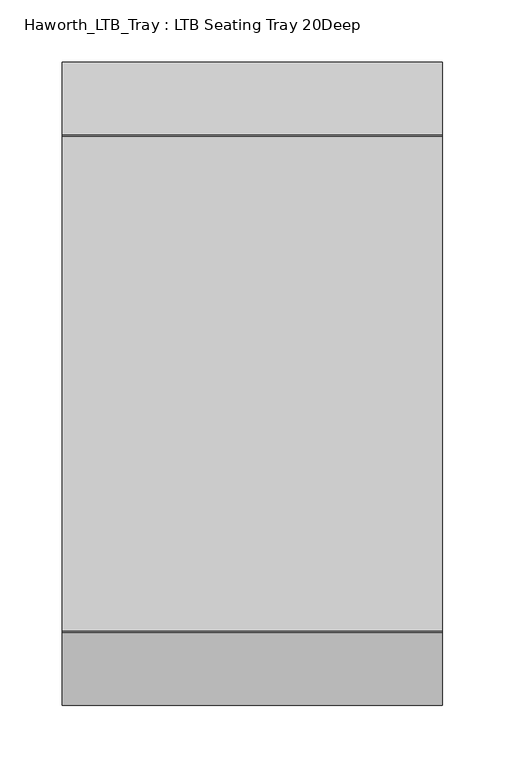
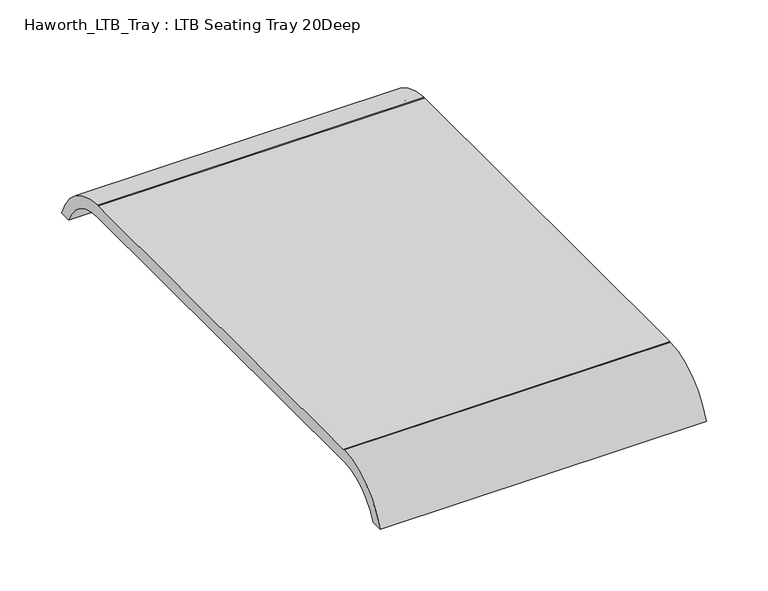
"""IFC4 building model written with IfcOpenShell, lengths in millimetres: furniture geometry, Haworth_LTB_Tray : LTB Seating Tray 20Deep."""

from ifc_helpers import new_model, si_unit, point, frame, frame_2d, origin, place, context, project, spatial, polyline, circle_curve, trimmed, segment, composite_curve, outline, extrude, source, transform, mapped, element, save


def haworth_ltb_tray_ltb_seating_tray_20deep_73af86ab(model_context):
    return source(origin(), model_context, "Body", "SweptSolid", [
        extrude(outline(composite_curve([segment(polyline([(200.0364582, 425.0000032), (-200.0364582, 425.0000032)]), True, "CONTINUOUS"), segment(trimmed(circle_curve(frame_2d((-200.0364582, 375.0527771)), 49.9472261), [point((-200.0364582, 425.0000032))], [point((-246.2503946, 394.0000059))], True, "CARTESIAN"), True, "CONTINUOUS"), segment(polyline([(-246.2503946, 394.0000059), (-257.7464189, 394.0000059)]), True, "CONTINUOUS"), segment(trimmed(circle_curve(frame_2d((-197.9151522, 373.8823502)), 63.1229004), [point((-257.7464189, 394.0000059))], [point((-199.7580648, 436.9783423))], False, "CARTESIAN"), True, "CONTINUOUS"), segment(trimmed(circle_curve(frame_2d((-198.274927, 386.1999975)), 50.8), [point((-199.7580648, 436.9783423))], [point((-198.274927, 436.9999975))], False, "CARTESIAN"), True, "CONTINUOUS"), segment(polyline([(-198.274927, 436.9999975), (198.274927, 436.9999975)]), True, "CONTINUOUS"), segment(trimmed(circle_curve(frame_2d((198.274927, 386.1999975)), 50.8), [point((198.274927, 436.9999975))], [point((199.7580648, 436.9783423))], False, "CARTESIAN"), True, "CONTINUOUS"), segment(trimmed(circle_curve(frame_2d((197.9151522, 373.8823502)), 63.1229004), [point((199.7580648, 436.9783423))], [point((257.7464189, 394.0000059))], False, "CARTESIAN"), True, "CONTINUOUS"), segment(polyline([(257.7464189, 394.0000059), (246.2503946, 394.0000059)]), True, "CONTINUOUS"), segment(trimmed(circle_curve(frame_2d((200.0364582, 375.0527771)), 49.9472261), [point((246.2503946, 394.0000059))], [point((200.0364582, 425.0000032))], True, "CARTESIAN"), True, "CONTINUOUS")], self_intersect=False)), frame((393.7, 0.0, 0.0), z_axis=(1.0, 0.0, 0.0), x_axis=(0.0, 1.0, 0.0)), (0.0, 0.0, 1.0), 304.8),
    ])


if __name__ == "__main__":
    model = new_model("IFC4")
    model_context = context("Model", 3, world=origin())
    ifc_project = project(units=[si_unit("LENGTHUNIT", "METRE", prefix="MILLI")], contexts=[model_context])
    site = spatial("IfcSite", under=ifc_project)
    building = spatial("IfcBuilding", under=site)
    placement = place(None, origin())
    haworth_ltb_tray_ltb_seating_tray_20deep_shape = haworth_ltb_tray_ltb_seating_tray_20deep_73af86ab(model_context)
    element("IfcFurniture", 1, ObjectType="Haworth_LTB_Tray : LTB Seating Tray 20Deep", at=placement, inside=building, context=model_context, shape_type="MappedRepresentation", body=[
        mapped(haworth_ltb_tray_ltb_seating_tray_20deep_shape, transform((0.0, 0.0, 0.0), x_axis=(1.0, 0.0, 0.0), y_axis=(0.0, 1.0, 0.0), z_axis=(0.0, 0.0, 1.0))),
    ])
    save(model, "model.ifc")
